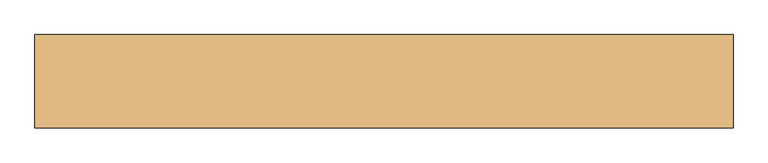
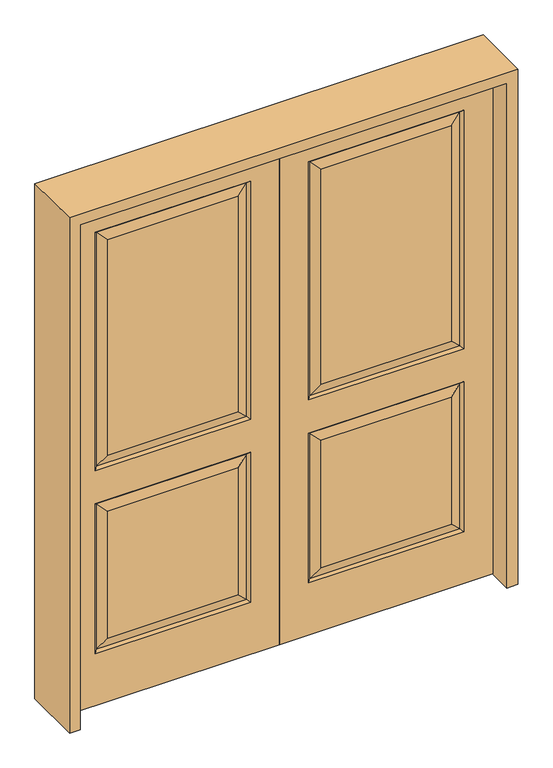
"""IFC4 building model written with IfcOpenShell, lengths in millimetres: door geometry."""

import ifcopenshell
import ifcopenshell.guid

model = None  # the IFC model being written
_history = None  # IfcOwnerHistory: only IFC2X3 demands one
_inside = {}  # id of a spatial element -> (the spatial element, [elements in it])
_under = {}  # id of a project, library or spatial element -> (it, [spatial elements below it])
_declared = {}  # id of a project -> (the project, [libraries it declares])
_typed = {}  # id of a type object -> (the type object, [elements of that type])
_made_of = {}  # id of a material, layer set ... -> (it, [elements and type objects made of it])


def new_model(schema):
    """Start an empty IFC model of exactly this schema.

    Asked for "IFC4X3", IfcOpenShell would pick the latest addendum, in which some entities
    have other attributes; the version numbers below select the first issue.
    IFC2X3 requires an IfcOwnerHistory on every rooted entity: one is made here for all.
    """
    global model, _history
    if schema == "IFC4X3":
        model = ifcopenshell.file(schema_version=(4, 3, 0, 0))
    else:
        model = ifcopenshell.file(schema=schema)
    _inside.clear()
    _under.clear()
    _declared.clear()
    _typed.clear()
    _made_of.clear()
    _history = None
    if model.schema == "IFC2X3":
        org = make("IfcOrganization", Name="unknown")
        user = make(
            "IfcPersonAndOrganization",
            ThePerson=make("IfcPerson", FamilyName="unknown"),
            TheOrganization=org,
        )
        app = make(
            "IfcApplication",
            ApplicationDeveloper=org,
            Version="unknown",
            ApplicationFullName="unknown",
            ApplicationIdentifier="unknown",
        )
        _history = make(
            "IfcOwnerHistory",
            OwningUser=user,
            OwningApplication=app,
            ChangeAction="ADDED",
            CreationDate=0,
        )
    return model


def make(cls, **values):
    """One entity of the class cls with the attributes given. An attribute that is None is left unset."""
    return model.create_entity(
        cls, **{name: value for name, value in values.items() if value is not None}
    )


def rooted(cls, **values):
    """An entity with a GlobalId (a new one), such as an element, a storey or a relation."""
    return make(cls, GlobalId=ifcopenshell.guid.new(), OwnerHistory=_history, **values)


def si_unit(unit_type, name, prefix=None):
    """IfcSIUnit, for example si_unit("LENGTHUNIT", "METRE", prefix="MILLI")."""
    return make("IfcSIUnit", UnitType=unit_type, Prefix=prefix, Name=name)


def assignment(units):
    """IfcUnitAssignment: the units of a project."""
    return None if units is None else make("IfcUnitAssignment", Units=units)


def point(xyz):
    """IfcCartesianPoint."""
    return None if xyz is None else make("IfcCartesianPoint", Coordinates=xyz)


def direction(xyz):
    """IfcDirection."""
    return None if xyz is None else make("IfcDirection", DirectionRatios=xyz)


def frame(location, z_axis=None, x_axis=None):
    """IfcAxis2Placement3D, a coordinate frame: its origin and axes. An axis left out is left unset."""
    return make(
        "IfcAxis2Placement3D",
        Location=point(location),
        Axis=direction(z_axis),
        RefDirection=direction(x_axis),
    )


def origin():
    """The frame at (0, 0, 0) with its axes left unset."""
    return frame((0.0, 0.0, 0.0))


def place(relative_to, where):
    """IfcLocalPlacement: puts the frame where relative to a parent placement (None: the world)."""
    return make(
        "IfcLocalPlacement", PlacementRelTo=relative_to, RelativePlacement=where
    )


def context(
    kind, dimensions, precision=None, world=None, true_north=None, identifier=None
):
    """IfcGeometricRepresentationContext, for example the 3D "Model" context."""
    return make(
        "IfcGeometricRepresentationContext",
        ContextIdentifier=identifier,
        ContextType=kind,
        CoordinateSpaceDimension=dimensions,
        Precision=precision,
        WorldCoordinateSystem=world,
        TrueNorth=true_north,
    )


def project(units=None, contexts=None):
    """IfcProject with its units and contexts."""
    return rooted(
        "IfcProject",
        Name="project",
        RepresentationContexts=contexts,
        UnitsInContext=assignment(units),
    )


def spatial(cls, under=None, at=None, **own):
    """A site, building, storey or space (cls), placed at a placement, below another one or the project."""
    s = rooted(cls, ObjectPlacement=at, **own)
    if under is not None:
        _under.setdefault(under.id(), (under, []))[1].append(s)
    return s


def polyline(points):
    """IfcPolyline through the points."""
    return make("IfcPolyline", Points=[point(p) for p in points])


def outline(outer, holes=None, kind="AREA"):
    """IfcArbitraryClosedProfileDef: a profile drawn as a closed curve; with holes, ...WithVoids."""
    if holes is None:
        return make("IfcArbitraryClosedProfileDef", ProfileType=kind, OuterCurve=outer)
    return make(
        "IfcArbitraryProfileDefWithVoids",
        ProfileType=kind,
        OuterCurve=outer,
        InnerCurves=holes,
    )


def extrude(swept, where, along, depth):
    """IfcExtrudedAreaSolid: the profile swept, set in the frame where, extruded along a direction by depth."""
    return make(
        "IfcExtrudedAreaSolid",
        SweptArea=swept,
        Position=where,
        ExtrudedDirection=direction(along),
        Depth=depth,
    )


def faces_of(points, faces, orient=None, outer=None):
    """IfcFace entities. A face is a list of loops; a loop is a list of indices into points, from 0.

    orient and outer hold one flag for each loop. By default every Orientation is true, the
    first loop of a face is its IfcFaceOuterBound and the others are IfcFaceBound.
    """
    made = []
    for i, loops in enumerate(faces):
        bounds = []
        for j, loop in enumerate(loops):
            is_outer = j == 0 if outer is None else outer[i][j]
            bounds.append(
                make(
                    "IfcFaceOuterBound" if is_outer else "IfcFaceBound",
                    Bound=make("IfcPolyLoop", Polygon=[points[k] for k in loop]),
                    Orientation=True if orient is None else orient[i][j],
                )
            )
        made.append(make("IfcFace", Bounds=bounds))
    return made


def faceted_brep(points, faces, orient=None, outer=None, voids=None):
    """IfcFacetedBrep: a solid bounded by flat faces; with voids (closed shells), ...WithVoids."""
    shared = [point(p) for p in points]
    hull = make("IfcClosedShell", CfsFaces=faces_of(shared, faces, orient, outer))
    if voids is None:
        return make("IfcFacetedBrep", Outer=hull)
    return make(
        "IfcFacetedBrepWithVoids",
        Outer=hull,
        Voids=[
            make(cls, CfsFaces=faces_of(shared, fs, o, b)) for cls, fs, o, b in voids
        ],
    )


def shape(context_of_items, identifier, shape_type, items):
    """IfcShapeRepresentation: the items that make up one representation, for example the "Body"."""
    return make(
        "IfcShapeRepresentation",
        ContextOfItems=context_of_items,
        RepresentationIdentifier=identifier,
        RepresentationType=shape_type,
        Items=items,
    )


def source(mapping_origin, context_of_items, identifier, shape_type, items):
    """IfcRepresentationMap: a shape defined once, which mapped items show again and again."""
    return make(
        "IfcRepresentationMap",
        MappingOrigin=mapping_origin,
        MappedRepresentation=shape(context_of_items, identifier, shape_type, items),
    )


def transform(
    local_origin,
    x_axis=None,
    y_axis=None,
    z_axis=None,
    scale=None,
    scale2=None,
    scale3=None,
    uniform=True,
):
    """IfcCartesianTransformationOperator3D, or its non-uniform kind. x_axis, y_axis, z_axis: its Axis1, 2, 3."""
    if uniform:
        return make(
            "IfcCartesianTransformationOperator3D",
            Axis1=direction(x_axis),
            Axis2=direction(y_axis),
            LocalOrigin=point(local_origin),
            Scale=scale,
            Axis3=direction(z_axis),
        )
    return make(
        "IfcCartesianTransformationOperator3DnonUniform",
        Axis1=direction(x_axis),
        Axis2=direction(y_axis),
        LocalOrigin=point(local_origin),
        Scale=scale,
        Axis3=direction(z_axis),
        Scale2=scale2,
        Scale3=scale3,
    )


def mapped(mapping_source, mapping_target):
    """IfcMappedItem: shows the shape of a source again, moved by a transform."""
    return make(
        "IfcMappedItem", MappingSource=mapping_source, MappingTarget=mapping_target
    )


def made_of(thing, what):
    """Note that an element or type object is made of a material, layer set ...; save() writes the relation."""
    if what is not None:
        _made_of.setdefault(what.id(), (what, []))[1].append(thing)
    return thing


def element(
    cls,
    number,
    at=None,
    inside=None,
    cuts=None,
    type_object=None,
    material=None,
    context=None,
    identifier="Body",
    shape_type=None,
    held_by="IfcProductDefinitionShape",
    body=None,
    shapes=None,
    **own,
):
    """One element of the class cls, such as IfcWall. Its Tag is "e" and its number.

    at: its placement. inside: the storey or other place that contains it. cuts: it is an
    opening in that element (IfcRelVoidsElement). A single representation is given by context,
    identifier, shape_type and body (its items); several are given by shapes. held_by: the class
    of the entity that holds the representations. save() writes the other relations.
    """
    e = rooted(cls, Tag="e%d" % number, ObjectPlacement=at, **own)
    if body is not None:
        shapes = [shape(context, identifier, shape_type, body)]
    if shapes is not None:
        e.Representation = make(held_by, Representations=shapes)
    if inside is not None:
        _inside.setdefault(inside.id(), (inside, []))[1].append(e)
    if cuts is not None:
        rooted(
            "IfcRelVoidsElement", RelatingBuildingElement=cuts, RelatedOpeningElement=e
        )
    if type_object is not None:
        _typed.setdefault(type_object.id(), (type_object, []))[1].append(e)
    return made_of(e, material)


def aggregate(whole, parts):
    """IfcRelAggregates: a whole, such as a stair, and the parts it consists of."""
    return rooted("IfcRelAggregates", RelatingObject=whole, RelatedObjects=parts)


def save(model, path):
    """Write the relations noted so far, then the file.

    IfcRelAggregates (storeys below a building ...), IfcRelContainedInSpatialStructure (elements
    in a storey), IfcRelDefinesByType, IfcRelAssociatesMaterial and IfcRelDeclares: one each for
    every whole, place, type object, material and project.
    """
    for whole, parts in _under.values():
        aggregate(whole, parts)
    for where, things in _inside.values():
        rooted(
            "IfcRelContainedInSpatialStructure",
            RelatedElements=things,
            RelatingStructure=where,
        )
    for kind, things in _typed.values():
        rooted("IfcRelDefinesByType", RelatedObjects=things, RelatingType=kind)
    for what, things in _made_of.values():
        rooted("IfcRelAssociatesMaterial", RelatedObjects=things, RelatingMaterial=what)
    for by, libraries in _declared.values():
        rooted("IfcRelDeclares", RelatingContext=by, RelatedDefinitions=libraries)
    model.write(path)


def door_5efb63aa(model_context):
    return source(origin(), model_context, "Body", "SolidModel", [
        faceted_brep([(692.6947439, 11.6572439, 218.5302561), (655.6375, 20.6375, 255.5875), (655.6375, 20.6375, 766.7625), (692.6947439, 11.6572439, 803.8197439), (0.0, -20.6375, 0.0), (0.0, 20.6375, 0.0), (812.8, 20.6375, 0.0), (812.8, -20.6375, 0.0), (0.0, -20.6375, 2032.0), (0.0, 20.6375, 2032.0), (655.6375, 20.6375, 992.1875), (157.1625, 20.6375, 992.1875), (157.1625, 20.6375, 1858.9625), (655.6375, 20.6375, 1858.9625), (157.1625, 20.6375, 255.5875), (157.1625, 20.6375, 766.7625), (812.8, 20.6375, 2032.0), (111.125, 20.6375, 946.15), (701.675, 20.6375, 946.15), (701.675, 20.6375, 1905.0), (111.125, 20.6375, 1905.0), (111.125, 20.6375, 209.55), (701.675, 20.6375, 209.55), (701.675, 20.6375, 812.8), (111.125, 20.6375, 812.8), (120.1052561, -11.6572439, 803.8197439), (692.6947439, -11.6572439, 803.8197439), (701.675, -20.6375, 812.8), (111.125, -20.6375, 812.8), (692.6947439, -11.6572439, 218.5302561), (701.675, -20.6375, 209.55), (120.1052561, -11.6572439, 218.5302561), (111.125, -20.6375, 209.55), (120.1052561, 11.6572439, 955.1302561), (692.6947439, 11.6572439, 955.1302561), (692.6947439, 11.6572439, 1896.0197439), (120.1052561, 11.6572439, 1896.0197439), (120.1052561, 11.6572439, 803.8197439), (812.8, -20.6375, 2032.0), (655.6375, -20.6375, 766.7625), (157.1625, -20.6375, 766.7625), (157.1625, -20.6375, 255.5875), (655.6375, -20.6375, 255.5875), (655.6375, -20.6375, 1858.9625), (157.1625, -20.6375, 1858.9625), (157.1625, -20.6375, 992.1875), (655.6375, -20.6375, 992.1875), (111.125, -20.6375, 1905.0), (701.675, -20.6375, 1905.0), (701.675, -20.6375, 946.15), (111.125, -20.6375, 946.15), (692.6947439, -11.6572439, 1896.0197439), (692.6947439, -11.6572439, 955.1302561), (120.1052561, -11.6572439, 955.1302561), (120.1052561, -11.6572439, 1896.0197439), (120.1052561, 11.6572439, 218.5302561)], [[[0, 1, 2, 3]], [[4, 5, 6, 7]], [[8, 9, 5, 4]], [[10, 11, 12, 13]], [[1, 14, 15, 2]], [[9, 16, 6, 5], [17, 18, 19, 20], [21, 22, 23, 24]], [[25, 26, 27, 28]], [[27, 26, 29, 30]], [[30, 29, 31, 32]], [[33, 34, 18, 17]], [[18, 34, 35, 19]], [[33, 17, 20, 36]], [[34, 33, 11, 10]], [[23, 3, 37, 24]], [[3, 2, 15, 37]], [[16, 38, 7, 6]], [[39, 40, 41, 42]], [[43, 44, 45, 46]], [[38, 8, 4, 7], [28, 27, 30, 32], [47, 48, 49, 50]], [[48, 51, 52, 49]], [[49, 52, 53, 50]], [[54, 47, 50, 53]], [[44, 54, 53, 45]], [[52, 46, 45, 53]], [[51, 43, 46, 52]], [[25, 28, 32, 31]], [[26, 25, 40, 39]], [[40, 25, 31, 41]], [[29, 42, 41, 31]], [[26, 39, 42, 29]], [[11, 33, 36, 12]], [[34, 10, 13, 35]], [[55, 0, 22, 21]], [[22, 0, 3, 23]], [[55, 21, 24, 37]], [[0, 55, 14, 1]], [[14, 55, 37, 15]], [[8, 38, 16, 9]], [[19, 35, 36, 20]], [[35, 13, 12, 36]], [[54, 51, 48, 47]], [[51, 54, 44, 43]]]),
        faceted_brep([(-692.6947439, 11.6572439, 218.5302561), (-692.6947439, 11.6572439, 803.8197439), (-655.6375, 20.6375, 766.7625), (-655.6375, 20.6375, 255.5875), (0.0, -20.6375, 0.0), (-812.8, -20.6375, 0.0), (-812.8, 20.6375, 0.0), (0.0, 20.6375, 0.0), (0.0, -20.6375, 2032.0), (0.0, 20.6375, 2032.0), (-812.8, 20.6375, 2032.0), (-111.125, 20.6375, 946.15), (-111.125, 20.6375, 1905.0), (-701.675, 20.6375, 1905.0), (-701.675, 20.6375, 946.15), (-111.125, 20.6375, 209.55), (-111.125, 20.6375, 812.8), (-701.675, 20.6375, 812.8), (-701.675, 20.6375, 209.55), (-655.6375, 20.6375, 992.1875), (-655.6375, 20.6375, 1858.9625), (-157.1625, 20.6375, 1858.9625), (-157.1625, 20.6375, 992.1875), (-157.1625, 20.6375, 766.7625), (-157.1625, 20.6375, 255.5875), (-120.1052561, -11.6572439, 803.8197439), (-111.125, -20.6375, 812.8), (-701.675, -20.6375, 812.8), (-692.6947439, -11.6572439, 803.8197439), (-701.675, -20.6375, 209.55), (-692.6947439, -11.6572439, 218.5302561), (-111.125, -20.6375, 209.55), (-120.1052561, -11.6572439, 218.5302561), (-120.1052561, 11.6572439, 955.1302561), (-692.6947439, 11.6572439, 955.1302561), (-692.6947439, 11.6572439, 1896.0197439), (-120.1052561, 11.6572439, 1896.0197439), (-120.1052561, 11.6572439, 803.8197439), (-812.8, -20.6375, 2032.0), (-655.6375, -20.6375, 766.7625), (-655.6375, -20.6375, 255.5875), (-157.1625, -20.6375, 255.5875), (-157.1625, -20.6375, 766.7625), (-655.6375, -20.6375, 1858.9625), (-655.6375, -20.6375, 992.1875), (-157.1625, -20.6375, 992.1875), (-157.1625, -20.6375, 1858.9625), (-111.125, -20.6375, 1905.0), (-111.125, -20.6375, 946.15), (-701.675, -20.6375, 946.15), (-701.675, -20.6375, 1905.0), (-692.6947439, -11.6572439, 955.1302561), (-692.6947439, -11.6572439, 1896.0197439), (-120.1052561, -11.6572439, 955.1302561), (-120.1052561, -11.6572439, 1896.0197439), (-120.1052561, 11.6572439, 218.5302561)], [[[0, 1, 2, 3]], [[4, 5, 6, 7]], [[8, 4, 7, 9]], [[9, 7, 6, 10], [11, 12, 13, 14], [15, 16, 17, 18]], [[19, 20, 21, 22]], [[3, 2, 23, 24]], [[25, 26, 27, 28]], [[27, 29, 30, 28]], [[29, 31, 32, 30]], [[33, 11, 14, 34]], [[14, 13, 35, 34]], [[33, 36, 12, 11]], [[34, 19, 22, 33]], [[17, 16, 37, 1]], [[1, 37, 23, 2]], [[10, 6, 5, 38]], [[39, 40, 41, 42]], [[43, 44, 45, 46]], [[38, 5, 4, 8], [26, 31, 29, 27], [47, 48, 49, 50]], [[50, 49, 51, 52]], [[49, 48, 53, 51]], [[54, 53, 48, 47]], [[46, 45, 53, 54]], [[51, 53, 45, 44]], [[52, 51, 44, 43]], [[25, 32, 31, 26]], [[28, 39, 42, 25]], [[42, 41, 32, 25]], [[30, 32, 41, 40]], [[28, 30, 40, 39]], [[22, 21, 36, 33]], [[34, 35, 20, 19]], [[55, 15, 18, 0]], [[18, 17, 1, 0]], [[55, 37, 16, 15]], [[0, 3, 24, 55]], [[24, 23, 37, 55]], [[8, 9, 10, 38]], [[13, 12, 36, 35]], [[35, 36, 21, 20]], [[54, 47, 50, 52]], [[52, 43, 46, 54]]]),
        extrude(outline(polyline([(2073.275, -854.075), (0.0, -854.075), (0.0, -812.8), (2032.0, -812.8), (2032.0, 812.8), (0.0, 812.8), (0.0, 854.075), (2073.275, 854.075), (2073.275, -854.075)])), frame((0.0, -114.3, 0.0), z_axis=(0.0, 1.0, 0.0), x_axis=(0.0, 0.0, 1.0)), (0.0, 0.0, 1.0), 228.6),
    ])


if __name__ == "__main__":
    model = new_model("IFC4")
    model_context = context("Model", 3, world=origin())
    ifc_project = project(units=[si_unit("LENGTHUNIT", "METRE", prefix="MILLI")], contexts=[model_context])
    site = spatial("IfcSite", under=ifc_project)
    building = spatial("IfcBuilding", under=site)
    placement = place(None, origin())
    door_shape = door_5efb63aa(model_context)
    element("IfcDoor", 1, at=placement, inside=building, context=model_context, shape_type="MappedRepresentation", body=[
        mapped(door_shape, transform((0.0, 0.0, 0.0), x_axis=(1.0, 0.0, 0.0), y_axis=(0.0, 1.0, 0.0), z_axis=(0.0, 0.0, 1.0))),
    ])
    save(model, "model.ifc")
